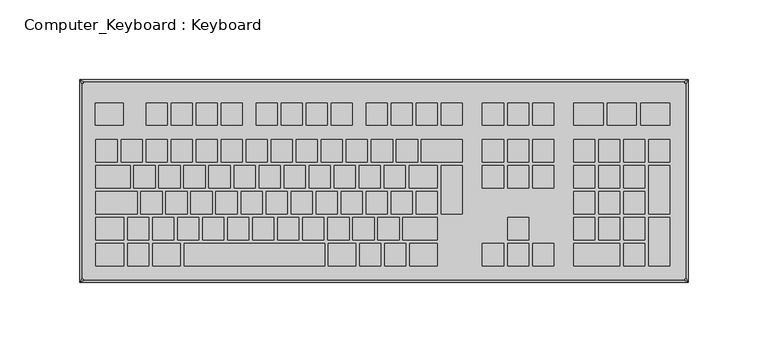
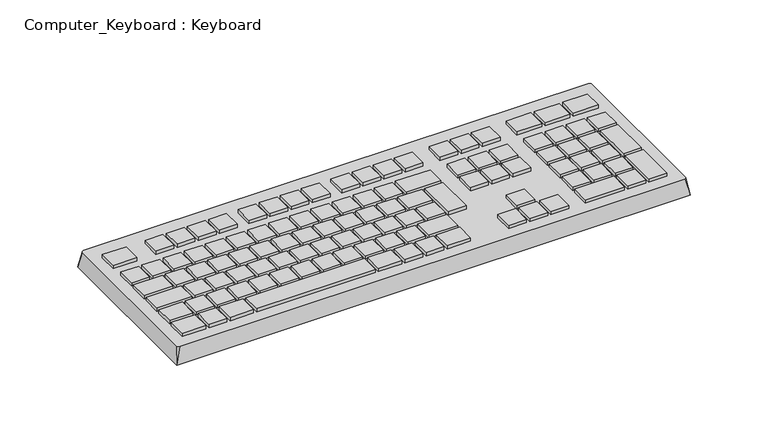
"""IFC4 building model written with IfcOpenShell, lengths in millimetres: electric appliance geometry, Computer_Keyboard : Keyboard."""

from ifc_helpers import new_model, si_unit, frame, origin, place, context, project, spatial, polyline, circle_curve, outline, extrude, source, transform, mapped, element, save
from ifc_brep_helpers import plane_surface, spline_surface, advanced_brep


def computer_keyboard_keyboard_704352c0(model_context):
    return source(origin(), model_context, "Body", "SolidModel", [
        extrude(outline(polyline([(-163.1859798, 48.8576856), (-163.1859798, 34.9824799), (-180.8453325, 34.9824799), (-180.8453325, 48.8576856), (-163.1859798, 48.8576856)])), frame((0.0, 0.0, 12.7), z_axis=(0.0, 0.0, 1.0), x_axis=(1.0, 0.0, 0.0)), (0.0, 0.0, 1.0), 2.5796875),
        extrude(outline(polyline([(-135.7599238, 48.8576856), (-135.7599238, 34.9824799), (-149.0224581, 34.9824799), (-149.0224581, 48.8576856), (-135.7599238, 48.8576856)])), frame((0.0, 0.0, 12.7), z_axis=(0.0, 0.0, 1.0), x_axis=(1.0, 0.0, 0.0)), (0.0, 0.0, 1.0), 2.5796875),
        extrude(outline(polyline([(-120.0827434, 48.8576856), (-120.0827434, 34.9824799), (-133.3452777, 34.9824799), (-133.3452777, 48.8576856), (-120.0827434, 48.8576856)])), frame((0.0, 0.0, 12.7), z_axis=(0.0, 0.0, 1.0), x_axis=(1.0, 0.0, 0.0)), (0.0, 0.0, 1.0), 2.5796875),
        extrude(outline(polyline([(-104.4055629, 48.8576856), (-104.4055629, 34.9824799), (-117.6680972, 34.9824799), (-117.6680972, 48.8576856), (-104.4055629, 48.8576856)])), frame((0.0, 0.0, 12.7), z_axis=(0.0, 0.0, 1.0), x_axis=(1.0, 0.0, 0.0)), (0.0, 0.0, 1.0), 2.5796875),
        extrude(outline(polyline([(-88.7283824, 48.8576856), (-88.7283824, 34.9824799), (-101.9909167, 34.9824799), (-101.9909167, 48.8576856), (-88.7283824, 48.8576856)])), frame((0.0, 0.0, 12.7), z_axis=(0.0, 0.0, 1.0), x_axis=(1.0, 0.0, 0.0)), (0.0, 0.0, 1.0), 2.5796875),
        extrude(outline(polyline([(-66.8457769, 48.8576856), (-66.8457769, 34.9824799), (-80.1083112, 34.9824799), (-80.1083112, 48.8576856), (-66.8457769, 48.8576856)])), frame((0.0, 0.0, 12.7), z_axis=(0.0, 0.0, 1.0), x_axis=(1.0, 0.0, 0.0)), (0.0, 0.0, 1.0), 2.5796875),
        extrude(outline(polyline([(-51.1685964, 48.8576856), (-51.1685964, 34.9824799), (-64.4311307, 34.9824799), (-64.4311307, 48.8576856), (-51.1685964, 48.8576856)])), frame((0.0, 0.0, 12.7), z_axis=(0.0, 0.0, 1.0), x_axis=(1.0, 0.0, 0.0)), (0.0, 0.0, 1.0), 2.5796875),
        extrude(outline(polyline([(-35.4914159, 48.8576856), (-35.4914159, 34.9824799), (-48.7539502, 34.9824799), (-48.7539502, 48.8576856), (-35.4914159, 48.8576856)])), frame((0.0, 0.0, 12.7), z_axis=(0.0, 0.0, 1.0), x_axis=(1.0, 0.0, 0.0)), (0.0, 0.0, 1.0), 2.5796875),
        extrude(outline(polyline([(-19.8142355, 48.8576856), (-19.8142355, 34.9824799), (-33.0767698, 34.9824799), (-33.0767698, 48.8576856), (-19.8142355, 48.8576856)])), frame((0.0, 0.0, 12.7), z_axis=(0.0, 0.0, 1.0), x_axis=(1.0, 0.0, 0.0)), (0.0, 0.0, 1.0), 2.5796875),
        extrude(outline(polyline([(2.06837, 48.8576856), (2.06837, 34.9824799), (-11.1941642, 34.9824799), (-11.1941642, 48.8576856), (2.06837, 48.8576856)])), frame((0.0, 0.0, 12.7), z_axis=(0.0, 0.0, 1.0), x_axis=(1.0, 0.0, 0.0)), (0.0, 0.0, 1.0), 2.5796875),
        extrude(outline(polyline([(17.7455505, 48.8576856), (17.7455505, 34.9824799), (4.4830162, 34.9824799), (4.4830162, 48.8576856), (17.7455505, 48.8576856)])), frame((0.0, 0.0, 12.7), z_axis=(0.0, 0.0, 1.0), x_axis=(1.0, 0.0, 0.0)), (0.0, 0.0, 1.0), 2.5796875),
        extrude(outline(polyline([(33.422731, 48.8576856), (33.422731, 34.9824799), (20.1601967, 34.9824799), (20.1601967, 48.8576856), (33.422731, 48.8576856)])), frame((0.0, 0.0, 12.7), z_axis=(0.0, 0.0, 1.0), x_axis=(1.0, 0.0, 0.0)), (0.0, 0.0, 1.0), 2.5796875),
        extrude(outline(polyline([(49.0999115, 48.8576856), (49.0999115, 34.9824799), (35.8373772, 34.9824799), (35.8373772, 48.8576856), (49.0999115, 48.8576856)])), frame((0.0, 0.0, 12.7), z_axis=(0.0, 0.0, 1.0), x_axis=(1.0, 0.0, 0.0)), (0.0, 0.0, 1.0), 2.5796875),
        extrude(outline(polyline([(74.951267, 48.8576856), (74.951267, 34.9824799), (61.6887327, 34.9824799), (61.6887327, 48.8576856), (74.951267, 48.8576856)])), frame((0.0, 0.0, 12.7), z_axis=(0.0, 0.0, 1.0), x_axis=(1.0, 0.0, 0.0)), (0.0, 0.0, 1.0), 2.5796875),
        extrude(outline(polyline([(90.6284475, 48.8576856), (90.6284475, 34.9824799), (77.3659132, 34.9824799), (77.3659132, 48.8576856), (90.6284475, 48.8576856)])), frame((0.0, 0.0, 12.7), z_axis=(0.0, 0.0, 1.0), x_axis=(1.0, 0.0, 0.0)), (0.0, 0.0, 1.0), 2.5796875),
        extrude(outline(polyline([(106.3056279, 48.8576856), (106.3056279, 34.9824799), (93.0430937, 34.9824799), (93.0430937, 48.8576856), (106.3056279, 48.8576856)])), frame((0.0, 0.0, 12.7), z_axis=(0.0, 0.0, 1.0), x_axis=(1.0, 0.0, 0.0)), (0.0, 0.0, 1.0), 2.5796875),
        extrude(outline(polyline([(137.1667629, 48.8576856), (137.1667629, 34.9824799), (118.7952925, 34.9824799), (118.7952925, 48.8576856), (137.1667629, 48.8576856)])), frame((0.0, 0.0, 12.7), z_axis=(0.0, 0.0, 1.0), x_axis=(1.0, 0.0, 0.0)), (0.0, 0.0, 1.0), 2.5796875),
        extrude(outline(polyline([(139.7565951, 34.9824799), (139.7565951, 48.8576856), (158.1280656, 48.8576856), (158.1280656, 34.9824799), (139.7565951, 34.9824799)])), frame((0.0, 0.0, 12.7), z_axis=(0.0, 0.0, 1.0), x_axis=(1.0, 0.0, 0.0)), (0.0, 0.0, 1.0), 2.5796875),
        extrude(outline(polyline([(160.7178977, 34.9824799), (160.7178977, 48.8576856), (179.0893682, 48.8576856), (179.0893682, 34.9824799), (160.7178977, 34.9824799)])), frame((0.0, 0.0, 12.7), z_axis=(0.0, 0.0, 1.0), x_axis=(1.0, 0.0, 0.0)), (0.0, 0.0, 1.0), 2.5796875),
        extrude(outline(polyline([(74.951267, 25.872589), (74.951267, 11.9973833), (61.6887327, 11.9973833), (61.6887327, 25.872589), (74.951267, 25.872589)])), frame((0.0, 0.0, 12.7), z_axis=(0.0, 0.0, 1.0), x_axis=(1.0, 0.0, 0.0)), (0.0, 0.0, 1.0), 2.5796875),
        extrude(outline(polyline([(90.6284475, 25.872589), (90.6284475, 11.9973833), (77.3659132, 11.9973833), (77.3659132, 25.872589), (90.6284475, 25.872589)])), frame((0.0, 0.0, 12.7), z_axis=(0.0, 0.0, 1.0), x_axis=(1.0, 0.0, 0.0)), (0.0, 0.0, 1.0), 2.5796875),
        extrude(outline(polyline([(106.3056279, 25.872589), (106.3056279, 11.9973833), (93.0430937, 11.9973833), (93.0430937, 25.872589), (106.3056279, 25.872589)])), frame((0.0, 0.0, 12.7), z_axis=(0.0, 0.0, 1.0), x_axis=(1.0, 0.0, 0.0)), (0.0, 0.0, 1.0), 2.5796875),
        extrude(outline(polyline([(61.6887327, 9.5827371), (74.951267, 9.5827371), (74.951267, -4.2924686), (61.6887327, -4.2924686), (61.6887327, 9.5827371)])), frame((0.0, 0.0, 12.7), z_axis=(0.0, 0.0, 1.0), x_axis=(1.0, 0.0, 0.0)), (0.0, 0.0, 1.0), 2.5796875),
        extrude(outline(polyline([(77.3659132, 9.5827371), (90.6284475, 9.5827371), (90.6284475, -4.2924686), (77.3659132, -4.2924686), (77.3659132, 9.5827371)])), frame((0.0, 0.0, 12.7), z_axis=(0.0, 0.0, 1.0), x_axis=(1.0, 0.0, 0.0)), (0.0, 0.0, 1.0), 2.5796875),
        extrude(outline(polyline([(93.0430937, 9.5827371), (106.3056279, 9.5827371), (106.3056279, -4.2924686), (93.0430937, -4.2924686), (93.0430937, 9.5827371)])), frame((0.0, 0.0, 12.7), z_axis=(0.0, 0.0, 1.0), x_axis=(1.0, 0.0, 0.0)), (0.0, 0.0, 1.0), 2.5796875),
        extrude(outline(polyline([(132.0578268, 25.872589), (132.0578268, 11.9973833), (118.7952925, 11.9973833), (118.7952925, 25.872589), (132.0578268, 25.872589)])), frame((0.0, 0.0, 12.7), z_axis=(0.0, 0.0, 1.0), x_axis=(1.0, 0.0, 0.0)), (0.0, 0.0, 1.0), 2.5796875),
        extrude(outline(polyline([(147.7350072, 25.872589), (147.7350072, 11.9973833), (134.472473, 11.9973833), (134.472473, 25.872589), (147.7350072, 25.872589)])), frame((0.0, 0.0, 12.7), z_axis=(0.0, 0.0, 1.0), x_axis=(1.0, 0.0, 0.0)), (0.0, 0.0, 1.0), 2.5796875),
        extrude(outline(polyline([(163.4121877, 25.872589), (163.4121877, 11.9973833), (150.1496534, 11.9973833), (150.1496534, 25.872589), (163.4121877, 25.872589)])), frame((0.0, 0.0, 12.7), z_axis=(0.0, 0.0, 1.0), x_axis=(1.0, 0.0, 0.0)), (0.0, 0.0, 1.0), 2.5796875),
        extrude(outline(polyline([(179.0893682, 25.872589), (179.0893682, 11.9973833), (165.8268339, 11.9973833), (165.8268339, 25.872589), (179.0893682, 25.872589)])), frame((0.0, 0.0, 12.7), z_axis=(0.0, 0.0, 1.0), x_axis=(1.0, 0.0, 0.0)), (0.0, 0.0, 1.0), 2.5796875),
        extrude(outline(polyline([(132.0578268, 9.5827371), (132.0578268, -4.2924686), (118.7952925, -4.2924686), (118.7952925, 9.5827371), (132.0578268, 9.5827371)])), frame((0.0, 0.0, 12.7), z_axis=(0.0, 0.0, 1.0), x_axis=(1.0, 0.0, 0.0)), (0.0, 0.0, 1.0), 2.5796875),
        extrude(outline(polyline([(147.7350072, 9.5827371), (147.7350072, -4.2924686), (134.472473, -4.2924686), (134.472473, 9.5827371), (147.7350072, 9.5827371)])), frame((0.0, 0.0, 12.7), z_axis=(0.0, 0.0, 1.0), x_axis=(1.0, 0.0, 0.0)), (0.0, 0.0, 1.0), 2.5796875),
        extrude(outline(polyline([(163.4121877, 9.5827371), (163.4121877, -4.2924686), (150.1496534, -4.2924686), (150.1496534, 9.5827371), (163.4121877, 9.5827371)])), frame((0.0, 0.0, 12.7), z_axis=(0.0, 0.0, 1.0), x_axis=(1.0, 0.0, 0.0)), (0.0, 0.0, 1.0), 2.5796875),
        extrude(outline(polyline([(179.0893682, 9.5827371), (179.0893682, -20.5823205), (165.8268339, -20.5823205), (165.8268339, 9.5827371), (179.0893682, 9.5827371)])), frame((0.0, 0.0, 12.7), z_axis=(0.0, 0.0, 1.0), x_axis=(1.0, 0.0, 0.0)), (0.0, 0.0, 1.0), 2.5796875),
        extrude(outline(polyline([(132.0578268, -6.7071148), (132.0578268, -20.5823205), (118.7952925, -20.5823205), (118.7952925, -6.7071148), (132.0578268, -6.7071148)])), frame((0.0, 0.0, 12.7), z_axis=(0.0, 0.0, 1.0), x_axis=(1.0, 0.0, 0.0)), (0.0, 0.0, 1.0), 2.5796875),
        extrude(outline(polyline([(147.7350072, -6.7071148), (147.7350072, -20.5823205), (134.472473, -20.5823205), (134.472473, -6.7071148), (147.7350072, -6.7071148)])), frame((0.0, 0.0, 12.7), z_axis=(0.0, 0.0, 1.0), x_axis=(1.0, 0.0, 0.0)), (0.0, 0.0, 1.0), 2.5796875),
        extrude(outline(polyline([(163.4121877, -6.7071148), (163.4121877, -20.5823205), (150.1496534, -20.5823205), (150.1496534, -6.7071148), (163.4121877, -6.7071148)])), frame((0.0, 0.0, 12.7), z_axis=(0.0, 0.0, 1.0), x_axis=(1.0, 0.0, 0.0)), (0.0, 0.0, 1.0), 2.5796875),
        extrude(outline(polyline([(132.0578268, -22.9969667), (132.0578268, -36.8721724), (118.7952925, -36.8721724), (118.7952925, -22.9969667), (132.0578268, -22.9969667)])), frame((0.0, 0.0, 12.7), z_axis=(0.0, 0.0, 1.0), x_axis=(1.0, 0.0, 0.0)), (0.0, 0.0, 1.0), 2.5796875),
        extrude(outline(polyline([(147.7350072, -22.9969667), (147.7350072, -36.8721724), (134.472473, -36.8721724), (134.472473, -22.9969667), (147.7350072, -22.9969667)])), frame((0.0, 0.0, 12.7), z_axis=(0.0, 0.0, 1.0), x_axis=(1.0, 0.0, 0.0)), (0.0, 0.0, 1.0), 2.5796875),
        extrude(outline(polyline([(163.4121877, -22.9969667), (163.4121877, -36.8721724), (150.1496534, -36.8721724), (150.1496534, -22.9969667), (163.4121877, -22.9969667)])), frame((0.0, 0.0, 12.7), z_axis=(0.0, 0.0, 1.0), x_axis=(1.0, 0.0, 0.0)), (0.0, 0.0, 1.0), 2.5796875),
        extrude(outline(polyline([(179.0893682, -22.9969667), (179.0893682, -53.1620243), (165.8268339, -53.1620243), (165.8268339, -22.9969667), (179.0893682, -22.9969667)])), frame((0.0, 0.0, 12.7), z_axis=(0.0, 0.0, 1.0), x_axis=(1.0, 0.0, 0.0)), (0.0, 0.0, 1.0), 2.5796875),
        extrude(outline(polyline([(147.7350072, -39.2868186), (147.7350072, -53.1620243), (118.7952925, -53.1620243), (118.7952925, -39.2868186), (147.7350072, -39.2868186)])), frame((0.0, 0.0, 12.7), z_axis=(0.0, 0.0, 1.0), x_axis=(1.0, 0.0, 0.0)), (0.0, 0.0, 1.0), 2.5796875),
        extrude(outline(polyline([(163.4121877, -39.2868186), (163.4121877, -53.1620243), (150.1496534, -53.1620243), (150.1496534, -39.2868186), (163.4121877, -39.2868186)])), frame((0.0, 0.0, 12.7), z_axis=(0.0, 0.0, 1.0), x_axis=(1.0, 0.0, 0.0)), (0.0, 0.0, 1.0), 2.5796875),
        extrude(outline(polyline([(90.6284475, -22.9969667), (90.6284475, -36.8721724), (77.3659132, -36.8721724), (77.3659132, -22.9969667), (90.6284475, -22.9969667)])), frame((0.0, 0.0, 12.7), z_axis=(0.0, 0.0, 1.0), x_axis=(1.0, 0.0, 0.0)), (0.0, 0.0, 1.0), 2.5796875),
        extrude(outline(polyline([(61.6887327, -39.2868186), (74.951267, -39.2868186), (74.951267, -53.1620243), (61.6887327, -53.1620243), (61.6887327, -39.2868186)])), frame((0.0, 0.0, 12.7), z_axis=(0.0, 0.0, 1.0), x_axis=(1.0, 0.0, 0.0)), (0.0, 0.0, 1.0), 2.5796875),
        extrude(outline(polyline([(77.3659132, -39.2868186), (90.6284475, -39.2868186), (90.6284475, -53.1620243), (77.3659132, -53.1620243), (77.3659132, -39.2868186)])), frame((0.0, 0.0, 12.7), z_axis=(0.0, 0.0, 1.0), x_axis=(1.0, 0.0, 0.0)), (0.0, 0.0, 1.0), 2.5796875),
        extrude(outline(polyline([(93.0430937, -39.2868186), (106.3056279, -39.2868186), (106.3056279, -53.1620243), (93.0430937, -53.1620243), (93.0430937, -39.2868186)])), frame((0.0, 0.0, 12.7), z_axis=(0.0, 0.0, 1.0), x_axis=(1.0, 0.0, 0.0)), (0.0, 0.0, 1.0), 2.5796875),
        extrude(outline(polyline([(-135.7599238, 25.872589), (-135.7599238, 11.9973833), (-149.0224581, 11.9973833), (-149.0224581, 25.872589), (-135.7599238, 25.872589)])), frame((0.0, 0.0, 12.7), z_axis=(0.0, 0.0, 1.0), x_axis=(1.0, 0.0, 0.0)), (0.0, 0.0, 1.0), 2.5796875),
        extrude(outline(polyline([(-120.0827434, 25.872589), (-120.0827434, 11.9973833), (-133.3452777, 11.9973833), (-133.3452777, 25.872589), (-120.0827434, 25.872589)])), frame((0.0, 0.0, 12.7), z_axis=(0.0, 0.0, 1.0), x_axis=(1.0, 0.0, 0.0)), (0.0, 0.0, 1.0), 2.5796875),
        extrude(outline(polyline([(-104.4055629, 25.872589), (-104.4055629, 11.9973833), (-117.6680972, 11.9973833), (-117.6680972, 25.872589), (-104.4055629, 25.872589)])), frame((0.0, 0.0, 12.7), z_axis=(0.0, 0.0, 1.0), x_axis=(1.0, 0.0, 0.0)), (0.0, 0.0, 1.0), 2.5796875),
        extrude(outline(polyline([(-88.7283824, 25.872589), (-88.7283824, 11.9973833), (-101.9909167, 11.9973833), (-101.9909167, 25.872589), (-88.7283824, 25.872589)])), frame((0.0, 0.0, 12.7), z_axis=(0.0, 0.0, 1.0), x_axis=(1.0, 0.0, 0.0)), (0.0, 0.0, 1.0), 2.5796875),
        extrude(outline(polyline([(-167.1142848, 25.872589), (-167.1142848, 11.9973833), (-180.3768191, 11.9973833), (-180.3768191, 25.872589), (-167.1142848, 25.872589)])), frame((0.0, 0.0, 12.7), z_axis=(0.0, 0.0, 1.0), x_axis=(1.0, 0.0, 0.0)), (0.0, 0.0, 1.0), 2.5796875),
        extrude(outline(polyline([(-151.4371043, 25.872589), (-151.4371043, 11.9973833), (-164.6996386, 11.9973833), (-164.6996386, 25.872589), (-151.4371043, 25.872589)])), frame((0.0, 0.0, 12.7), z_axis=(0.0, 0.0, 1.0), x_axis=(1.0, 0.0, 0.0)), (0.0, 0.0, 1.0), 2.5796875),
        extrude(outline(polyline([(-57.3740215, 25.872589), (-57.3740215, 11.9973833), (-70.6365557, 11.9973833), (-70.6365557, 25.872589), (-57.3740215, 25.872589)])), frame((0.0, 0.0, 12.7), z_axis=(0.0, 0.0, 1.0), x_axis=(1.0, 0.0, 0.0)), (0.0, 0.0, 1.0), 2.5796875),
        extrude(outline(polyline([(-41.696841, 25.872589), (-41.696841, 11.9973833), (-54.9593753, 11.9973833), (-54.9593753, 25.872589), (-41.696841, 25.872589)])), frame((0.0, 0.0, 12.7), z_axis=(0.0, 0.0, 1.0), x_axis=(1.0, 0.0, 0.0)), (0.0, 0.0, 1.0), 2.5796875),
        extrude(outline(polyline([(-26.0196605, 25.872589), (-26.0196605, 11.9973833), (-39.2821948, 11.9973833), (-39.2821948, 25.872589), (-26.0196605, 25.872589)])), frame((0.0, 0.0, 12.7), z_axis=(0.0, 0.0, 1.0), x_axis=(1.0, 0.0, 0.0)), (0.0, 0.0, 1.0), 2.5796875),
        extrude(outline(polyline([(-10.34248, 25.872589), (-10.34248, 11.9973833), (-23.6050143, 11.9973833), (-23.6050143, 25.872589), (-10.34248, 25.872589)])), frame((0.0, 0.0, 12.7), z_axis=(0.0, 0.0, 1.0), x_axis=(1.0, 0.0, 0.0)), (0.0, 0.0, 1.0), 2.5796875),
        extrude(outline(polyline([(-73.0512019, 25.872589), (-73.0512019, 11.9973833), (-86.3137362, 11.9973833), (-86.3137362, 25.872589), (-73.0512019, 25.872589)])), frame((0.0, 0.0, 12.7), z_axis=(0.0, 0.0, 1.0), x_axis=(1.0, 0.0, 0.0)), (0.0, 0.0, 1.0), 2.5796875),
        extrude(outline(polyline([(21.0118809, 25.872589), (21.0118809, 11.9973833), (7.7493466, 11.9973833), (7.7493466, 25.872589), (21.0118809, 25.872589)])), frame((0.0, 0.0, 12.7), z_axis=(0.0, 0.0, 1.0), x_axis=(1.0, 0.0, 0.0)), (0.0, 0.0, 1.0), 2.5796875),
        extrude(outline(polyline([(49.0999115, 25.872589), (49.0999115, 11.9973833), (23.4265271, 11.9973833), (23.4265271, 25.872589), (49.0999115, 25.872589)])), frame((0.0, 0.0, 12.7), z_axis=(0.0, 0.0, 1.0), x_axis=(1.0, 0.0, 0.0)), (0.0, 0.0, 1.0), 2.5796875),
        extrude(outline(polyline([(5.3347004, 25.872589), (5.3347004, 11.9973833), (-7.9278338, 11.9973833), (-7.9278338, 25.872589), (5.3347004, 25.872589)])), frame((0.0, 0.0, 12.7), z_axis=(0.0, 0.0, 1.0), x_axis=(1.0, 0.0, 0.0)), (0.0, 0.0, 1.0), 2.5796875),
        extrude(outline(polyline([(-127.706198, 9.5827371), (-127.706198, -4.2924686), (-140.9687323, -4.2924686), (-140.9687323, 9.5827371), (-127.706198, 9.5827371)])), frame((0.0, 0.0, 12.7), z_axis=(0.0, 0.0, 1.0), x_axis=(1.0, 0.0, 0.0)), (0.0, 0.0, 1.0), 2.5796875),
        extrude(outline(polyline([(-112.0290175, 9.5827371), (-112.0290175, -4.2924686), (-125.2915518, -4.2924686), (-125.2915518, 9.5827371), (-112.0290175, 9.5827371)])), frame((0.0, 0.0, 12.7), z_axis=(0.0, 0.0, 1.0), x_axis=(1.0, 0.0, 0.0)), (0.0, 0.0, 1.0), 2.5796875),
        extrude(outline(polyline([(-96.3518371, 9.5827371), (-96.3518371, -4.2924686), (-109.6143713, -4.2924686), (-109.6143713, 9.5827371), (-96.3518371, 9.5827371)])), frame((0.0, 0.0, 12.7), z_axis=(0.0, 0.0, 1.0), x_axis=(1.0, 0.0, 0.0)), (0.0, 0.0, 1.0), 2.5796875),
        extrude(outline(polyline([(-80.6746566, 9.5827371), (-80.6746566, -4.2924686), (-93.9371909, -4.2924686), (-93.9371909, 9.5827371), (-80.6746566, 9.5827371)])), frame((0.0, 0.0, 12.7), z_axis=(0.0, 0.0, 1.0), x_axis=(1.0, 0.0, 0.0)), (0.0, 0.0, 1.0), 2.5796875),
        extrude(outline(polyline([(-159.060559, 9.5827371), (-159.060559, -4.2924686), (-180.3768191, -4.2924686), (-180.3768191, 9.5827371), (-159.060559, 9.5827371)])), frame((0.0, 0.0, 12.7), z_axis=(0.0, 0.0, 1.0), x_axis=(1.0, 0.0, 0.0)), (0.0, 0.0, 1.0), 2.5796875),
        extrude(outline(polyline([(-143.3833785, 9.5827371), (-143.3833785, -4.2924686), (-156.6459128, -4.2924686), (-156.6459128, 9.5827371), (-143.3833785, 9.5827371)])), frame((0.0, 0.0, 12.7), z_axis=(0.0, 0.0, 1.0), x_axis=(1.0, 0.0, 0.0)), (0.0, 0.0, 1.0), 2.5796875),
        extrude(outline(polyline([(-49.3202956, 9.5827371), (-49.3202956, -4.2924686), (-62.5828299, -4.2924686), (-62.5828299, 9.5827371), (-49.3202956, 9.5827371)])), frame((0.0, 0.0, 12.7), z_axis=(0.0, 0.0, 1.0), x_axis=(1.0, 0.0, 0.0)), (0.0, 0.0, 1.0), 2.5796875),
        extrude(outline(polyline([(-33.6431152, 9.5827371), (-33.6431152, -4.2924686), (-46.9056494, -4.2924686), (-46.9056494, 9.5827371), (-33.6431152, 9.5827371)])), frame((0.0, 0.0, 12.7), z_axis=(0.0, 0.0, 1.0), x_axis=(1.0, 0.0, 0.0)), (0.0, 0.0, 1.0), 2.5796875),
        extrude(outline(polyline([(-17.9659347, 9.5827371), (-17.9659347, -4.2924686), (-31.228469, -4.2924686), (-31.228469, 9.5827371), (-17.9659347, 9.5827371)])), frame((0.0, 0.0, 12.7), z_axis=(0.0, 0.0, 1.0), x_axis=(1.0, 0.0, 0.0)), (0.0, 0.0, 1.0), 2.5796875),
        extrude(outline(polyline([(-2.2887542, 9.5827371), (-2.2887542, -4.2924686), (-15.5512885, -4.2924686), (-15.5512885, 9.5827371), (-2.2887542, 9.5827371)])), frame((0.0, 0.0, 12.7), z_axis=(0.0, 0.0, 1.0), x_axis=(1.0, 0.0, 0.0)), (0.0, 0.0, 1.0), 2.5796875),
        extrude(outline(polyline([(-64.9974761, 9.5827371), (-64.9974761, -4.2924686), (-78.2600104, -4.2924686), (-78.2600104, 9.5827371), (-64.9974761, 9.5827371)])), frame((0.0, 0.0, 12.7), z_axis=(0.0, 0.0, 1.0), x_axis=(1.0, 0.0, 0.0)), (0.0, 0.0, 1.0), 2.5796875),
        extrude(outline(polyline([(33.4494691, 9.5827371), (33.4494691, -4.2924686), (15.8030725, -4.2924686), (15.8030725, 9.5827371), (33.4494691, 9.5827371)])), frame((0.0, 0.0, 12.7), z_axis=(0.0, 0.0, 1.0), x_axis=(1.0, 0.0, 0.0)), (0.0, 0.0, 1.0), 2.5796875),
        extrude(outline(polyline([(49.0999115, 9.5827371), (49.0999115, -20.5823205), (35.8641153, -20.5823205), (35.8641153, 9.5827371), (49.0999115, 9.5827371)])), frame((0.0, 0.0, 12.7), z_axis=(0.0, 0.0, 1.0), x_axis=(1.0, 0.0, 0.0)), (0.0, 0.0, 1.0), 2.5796875),
        extrude(outline(polyline([(13.3884263, 9.5827371), (13.3884263, -4.2924686), (0.125892, -4.2924686), (0.125892, 9.5827371), (13.3884263, 9.5827371)])), frame((0.0, 0.0, 12.7), z_axis=(0.0, 0.0, 1.0), x_axis=(1.0, 0.0, 0.0)), (0.0, 0.0, 1.0), 2.5796875),
        extrude(outline(polyline([(-123.3223357, -6.7071148), (-123.3223357, -20.5823205), (-136.58487, -20.5823205), (-136.58487, -6.7071148), (-123.3223357, -6.7071148)])), frame((0.0, 0.0, 12.7), z_axis=(0.0, 0.0, 1.0), x_axis=(1.0, 0.0, 0.0)), (0.0, 0.0, 1.0), 2.5796875),
        extrude(outline(polyline([(-107.6451552, -6.7071148), (-107.6451552, -20.5823205), (-120.9076895, -20.5823205), (-120.9076895, -6.7071148), (-107.6451552, -6.7071148)])), frame((0.0, 0.0, 12.7), z_axis=(0.0, 0.0, 1.0), x_axis=(1.0, 0.0, 0.0)), (0.0, 0.0, 1.0), 2.5796875),
        extrude(outline(polyline([(-91.9679747, -6.7071148), (-91.9679747, -20.5823205), (-105.230509, -20.5823205), (-105.230509, -6.7071148), (-91.9679747, -6.7071148)])), frame((0.0, 0.0, 12.7), z_axis=(0.0, 0.0, 1.0), x_axis=(1.0, 0.0, 0.0)), (0.0, 0.0, 1.0), 2.5796875),
        extrude(outline(polyline([(-76.2907942, -6.7071148), (-76.2907942, -20.5823205), (-89.5533285, -20.5823205), (-89.5533285, -6.7071148), (-76.2907942, -6.7071148)])), frame((0.0, 0.0, 12.7), z_axis=(0.0, 0.0, 1.0), x_axis=(1.0, 0.0, 0.0)), (0.0, 0.0, 1.0), 2.5796875),
        extrude(outline(polyline([(-154.6766966, -6.7071148), (-154.6766966, -20.5823205), (-180.3768191, -20.5823205), (-180.3768191, -6.7071148), (-154.6766966, -6.7071148)])), frame((0.0, 0.0, 12.7), z_axis=(0.0, 0.0, 1.0), x_axis=(1.0, 0.0, 0.0)), (0.0, 0.0, 1.0), 2.5796875),
        extrude(outline(polyline([(-138.9995161, -6.7071148), (-138.9995161, -20.5823205), (-152.2620504, -20.5823205), (-152.2620504, -6.7071148), (-138.9995161, -6.7071148)])), frame((0.0, 0.0, 12.7), z_axis=(0.0, 0.0, 1.0), x_axis=(1.0, 0.0, 0.0)), (0.0, 0.0, 1.0), 2.5796875),
        extrude(outline(polyline([(-44.9364333, -6.7071148), (-44.9364333, -20.5823205), (-58.1989676, -20.5823205), (-58.1989676, -6.7071148), (-44.9364333, -6.7071148)])), frame((0.0, 0.0, 12.7), z_axis=(0.0, 0.0, 1.0), x_axis=(1.0, 0.0, 0.0)), (0.0, 0.0, 1.0), 2.5796875),
        extrude(outline(polyline([(-29.2592528, -6.7071148), (-29.2592528, -20.5823205), (-42.5217871, -20.5823205), (-42.5217871, -6.7071148), (-29.2592528, -6.7071148)])), frame((0.0, 0.0, 12.7), z_axis=(0.0, 0.0, 1.0), x_axis=(1.0, 0.0, 0.0)), (0.0, 0.0, 1.0), 2.5796875),
        extrude(outline(polyline([(-13.5820723, -6.7071148), (-13.5820723, -20.5823205), (-26.8446066, -20.5823205), (-26.8446066, -6.7071148), (-13.5820723, -6.7071148)])), frame((0.0, 0.0, 12.7), z_axis=(0.0, 0.0, 1.0), x_axis=(1.0, 0.0, 0.0)), (0.0, 0.0, 1.0), 2.5796875),
        extrude(outline(polyline([(2.0951081, -6.7071148), (2.0951081, -20.5823205), (-11.1674261, -20.5823205), (-11.1674261, -6.7071148), (2.0951081, -6.7071148)])), frame((0.0, 0.0, 12.7), z_axis=(0.0, 0.0, 1.0), x_axis=(1.0, 0.0, 0.0)), (0.0, 0.0, 1.0), 2.5796875),
        extrude(outline(polyline([(-60.6136138, -6.7071148), (-60.6136138, -20.5823205), (-73.876148, -20.5823205), (-73.876148, -6.7071148), (-60.6136138, -6.7071148)])), frame((0.0, 0.0, 12.7), z_axis=(0.0, 0.0, 1.0), x_axis=(1.0, 0.0, 0.0)), (0.0, 0.0, 1.0), 2.5796875),
        extrude(outline(polyline([(33.4494691, -6.7071148), (33.4494691, -20.5823205), (20.1869348, -20.5823205), (20.1869348, -6.7071148), (33.4494691, -6.7071148)])), frame((0.0, 0.0, 12.7), z_axis=(0.0, 0.0, 1.0), x_axis=(1.0, 0.0, 0.0)), (0.0, 0.0, 1.0), 2.5796875),
        extrude(outline(polyline([(17.7722886, -6.7071148), (17.7722886, -20.5823205), (4.5097543, -20.5823205), (4.5097543, -6.7071148), (17.7722886, -6.7071148)])), frame((0.0, 0.0, 12.7), z_axis=(0.0, 0.0, 1.0), x_axis=(1.0, 0.0, 0.0)), (0.0, 0.0, 1.0), 2.5796875),
        extrude(outline(polyline([(-131.6593899, -22.9969667), (-131.6593899, -36.8721724), (-144.9219241, -36.8721724), (-144.9219241, -22.9969667), (-131.6593899, -22.9969667)])), frame((0.0, 0.0, 12.7), z_axis=(0.0, 0.0, 1.0), x_axis=(1.0, 0.0, 0.0)), (0.0, 0.0, 1.0), 2.5796875),
        extrude(outline(polyline([(-115.9822094, -22.9969667), (-115.9822094, -36.8721724), (-129.2447437, -36.8721724), (-129.2447437, -22.9969667), (-115.9822094, -22.9969667)])), frame((0.0, 0.0, 12.7), z_axis=(0.0, 0.0, 1.0), x_axis=(1.0, 0.0, 0.0)), (0.0, 0.0, 1.0), 2.5796875),
        extrude(outline(polyline([(-100.3050289, -22.9969667), (-100.3050289, -36.8721724), (-113.5675632, -36.8721724), (-113.5675632, -22.9969667), (-100.3050289, -22.9969667)])), frame((0.0, 0.0, 12.7), z_axis=(0.0, 0.0, 1.0), x_axis=(1.0, 0.0, 0.0)), (0.0, 0.0, 1.0), 2.5796875),
        extrude(outline(polyline([(-84.6278484, -22.9969667), (-84.6278484, -36.8721724), (-97.8903827, -36.8721724), (-97.8903827, -22.9969667), (-84.6278484, -22.9969667)])), frame((0.0, 0.0, 12.7), z_axis=(0.0, 0.0, 1.0), x_axis=(1.0, 0.0, 0.0)), (0.0, 0.0, 1.0), 2.5796875),
        extrude(outline(polyline([(-163.0137508, -22.9969667), (-163.0137508, -36.8721724), (-180.3768191, -36.8721724), (-180.3768191, -22.9969667), (-163.0137508, -22.9969667)])), frame((0.0, 0.0, 12.7), z_axis=(0.0, 0.0, 1.0), x_axis=(1.0, 0.0, 0.0)), (0.0, 0.0, 1.0), 2.5796875),
        extrude(outline(polyline([(-147.3365703, -22.9969667), (-147.3365703, -36.8721724), (-160.5991046, -36.8721724), (-160.5991046, -22.9969667), (-147.3365703, -22.9969667)])), frame((0.0, 0.0, 12.7), z_axis=(0.0, 0.0, 1.0), x_axis=(1.0, 0.0, 0.0)), (0.0, 0.0, 1.0), 2.5796875),
        extrude(outline(polyline([(-53.2734875, -22.9969667), (-53.2734875, -36.8721724), (-66.5360218, -36.8721724), (-66.5360218, -22.9969667), (-53.2734875, -22.9969667)])), frame((0.0, 0.0, 12.7), z_axis=(0.0, 0.0, 1.0), x_axis=(1.0, 0.0, 0.0)), (0.0, 0.0, 1.0), 2.5796875),
        extrude(outline(polyline([(-37.596307, -22.9969667), (-37.596307, -36.8721724), (-50.8588413, -36.8721724), (-50.8588413, -22.9969667), (-37.596307, -22.9969667)])), frame((0.0, 0.0, 12.7), z_axis=(0.0, 0.0, 1.0), x_axis=(1.0, 0.0, 0.0)), (0.0, 0.0, 1.0), 2.5796875),
        extrude(outline(polyline([(-21.9191265, -22.9969667), (-21.9191265, -36.8721724), (-35.1816608, -36.8721724), (-35.1816608, -22.9969667), (-21.9191265, -22.9969667)])), frame((0.0, 0.0, 12.7), z_axis=(0.0, 0.0, 1.0), x_axis=(1.0, 0.0, 0.0)), (0.0, 0.0, 1.0), 2.5796875),
        extrude(outline(polyline([(-6.241946, -22.9969667), (-6.241946, -36.8721724), (-19.5044803, -36.8721724), (-19.5044803, -22.9969667), (-6.241946, -22.9969667)])), frame((0.0, 0.0, 12.7), z_axis=(0.0, 0.0, 1.0), x_axis=(1.0, 0.0, 0.0)), (0.0, 0.0, 1.0), 2.5796875),
        extrude(outline(polyline([(-68.9506679, -22.9969667), (-68.9506679, -36.8721724), (-82.2132022, -36.8721724), (-82.2132022, -22.9969667), (-68.9506679, -22.9969667)])), frame((0.0, 0.0, 12.7), z_axis=(0.0, 0.0, 1.0), x_axis=(1.0, 0.0, 0.0)), (0.0, 0.0, 1.0), 2.5796875),
        extrude(outline(polyline([(33.4494691, -22.9969667), (33.4494691, -36.8721724), (11.8498806, -36.8721724), (11.8498806, -22.9969667), (33.4494691, -22.9969667)])), frame((0.0, 0.0, 12.7), z_axis=(0.0, 0.0, 1.0), x_axis=(1.0, 0.0, 0.0)), (0.0, 0.0, 1.0), 2.5796875),
        extrude(outline(polyline([(9.4352344, -22.9969667), (9.4352344, -36.8721724), (-3.8272999, -36.8721724), (-3.8272999, -22.9969667), (9.4352344, -22.9969667)])), frame((0.0, 0.0, 12.7), z_axis=(0.0, 0.0, 1.0), x_axis=(1.0, 0.0, 0.0)), (0.0, 0.0, 1.0), 2.5796875),
        extrude(outline(polyline([(-127.5330879, -39.2868186), (-127.5330879, -53.1620243), (-144.9219241, -53.1620243), (-144.9219241, -39.2868186), (-127.5330879, -39.2868186)])), frame((0.0, 0.0, 12.7), z_axis=(0.0, 0.0, 1.0), x_axis=(1.0, 0.0, 0.0)), (0.0, 0.0, 1.0), 2.5796875),
        extrude(outline(polyline([(-37.199432, -39.2868186), (-37.199432, -53.1620243), (-125.1184417, -53.1620243), (-125.1184417, -39.2868186), (-37.199432, -39.2868186)])), frame((0.0, 0.0, 12.7), z_axis=(0.0, 0.0, 1.0), x_axis=(1.0, 0.0, 0.0)), (0.0, 0.0, 1.0), 2.5796875),
        extrude(outline(polyline([(-163.0137508, -39.2868186), (-163.0137508, -53.1620243), (-180.3768191, -53.1620243), (-180.3768191, -39.2868186), (-163.0137508, -39.2868186)])), frame((0.0, 0.0, 12.7), z_axis=(0.0, 0.0, 1.0), x_axis=(1.0, 0.0, 0.0)), (0.0, 0.0, 1.0), 2.5796875),
        extrude(outline(polyline([(-147.3365703, -39.2868186), (-147.3365703, -53.1620243), (-160.5991046, -53.1620243), (-160.5991046, -39.2868186), (-147.3365703, -39.2868186)])), frame((0.0, 0.0, 12.7), z_axis=(0.0, 0.0, 1.0), x_axis=(1.0, 0.0, 0.0)), (0.0, 0.0, 1.0), 2.5796875),
        extrude(outline(polyline([(-17.5943871, -39.2868186), (-17.5943871, -53.1620243), (-34.7847858, -53.1620243), (-34.7847858, -39.2868186), (-17.5943871, -39.2868186)])), frame((0.0, 0.0, 12.7), z_axis=(0.0, 0.0, 1.0), x_axis=(1.0, 0.0, 0.0)), (0.0, 0.0, 1.0), 2.5796875),
        extrude(outline(polyline([(-1.9172066, -39.2868186), (-1.9172066, -53.1620243), (-15.1797409, -53.1620243), (-15.1797409, -39.2868186), (-1.9172066, -39.2868186)])), frame((0.0, 0.0, 12.7), z_axis=(0.0, 0.0, 1.0), x_axis=(1.0, 0.0, 0.0)), (0.0, 0.0, 1.0), 2.5796875),
        extrude(outline(polyline([(33.4494691, -39.2868186), (33.4494691, -53.1620243), (16.1746201, -53.1620243), (16.1746201, -39.2868186), (33.4494691, -39.2868186)])), frame((0.0, 0.0, 12.7), z_axis=(0.0, 0.0, 1.0), x_axis=(1.0, 0.0, 0.0)), (0.0, 0.0, 1.0), 2.5796875),
        extrude(outline(polyline([(13.7599739, -39.2868186), (13.7599739, -53.1620243), (0.4974396, -53.1620243), (0.4974396, -39.2868186), (13.7599739, -39.2868186)])), frame((0.0, 0.0, 12.7), z_axis=(0.0, 0.0, 1.0), x_axis=(1.0, 0.0, 0.0)), (0.0, 0.0, 1.0), 2.5796875),
        advanced_brep(
        [(188.9125, 60.325, 12.7), (187.325, 61.9125, 12.7), (-187.325, 61.9125, 12.7), (-188.9125, 60.325, 12.7), (-188.9125, -60.325, 12.7), (-187.325, -61.9125, 12.7), (187.325, -61.9125, 12.7), (188.9125, -60.325, 12.7), (190.5, 63.5, 0.0), (190.5, -63.5, 0.0), (-190.5, -63.5, 0.0), (-190.5, 63.5, 0.0)],
        [
            (0, 1, circle_curve(frame((187.325, 60.325, 12.7), z_axis=(0.0, 0.0, 1.0), x_axis=(1.0, 0.0, 0.0)), 1.5875)),
            (1, 2),
            (2, 3, circle_curve(frame((-187.325, 60.325, 12.7), z_axis=(0.0, 0.0, 1.0), x_axis=(1.0, 0.0, 0.0)), 1.5875)),
            (3, 4),
            (4, 5, circle_curve(frame((-187.325, -60.325, 12.7), z_axis=(0.0, 0.0, 1.0), x_axis=(1.0, 0.0, 0.0)), 1.5875)),
            (5, 6),
            (6, 7, circle_curve(frame((187.325, -60.325, 12.7), z_axis=(0.0, 0.0, 1.0), x_axis=(1.0, 0.0, 0.0)), 1.5875)),
            (7, 0),
            (8, 9),
            (9, 10),
            (10, 11),
            (11, 8),
            (0, 8),
            (8, 1),
            (11, 2),
            (11, 3),
            (10, 4),
            (10, 5),
            (9, 6),
            (9, 7),
        ],
        [
            plane_surface(frame((0.0, 0.0, 12.7), z_axis=(0.0, 0.0, 1.0), x_axis=(-1.0, 0.0, 0.0))),
            plane_surface(frame((0.0, 0.0, 0.0), z_axis=(0.0, 0.0, -1.0), x_axis=(-1.0, 0.0, 0.0))),
            spline_surface(2, 1, [[(190.5, 63.5, 0.0), (188.9125, 60.325, 12.7)], [(190.5, 63.5, 0.0), (188.9125, 61.91250000000001, 12.7)], [(190.5, 63.5, 0.0), (187.325, 61.9125, 12.7)]], [3, 3], [2, 2], [0.0, 1.0], [0.0, 1.0], weights=[[1.0, 1.0], [0.7071067811865459, 0.7071067811865459], [1.0, 1.0]]),
            plane_surface(frame((0.0, 63.5, 0.0), z_axis=(0.0, 0.9922778767136676, 0.12403473458920869), x_axis=(-1.0, 0.0, 0.0))),
            spline_surface(2, 1, [[(-190.5, 63.5, 0.0), (-187.325, 61.9125, 12.7)], [(-190.5, 63.5, 0.0), (-188.9125, 61.912499999999994, 12.7)], [(-190.5, 63.5, 0.0), (-188.9125, 60.325, 12.7)]], [3, 3], [2, 2], [0.0, 1.0], [0.0, 1.0], weights=[[1.0, 1.0], [0.7071067811865491, 0.7071067811865491], [1.0, 1.0]]),
            plane_surface(frame((-190.5, 0.0, 0.0), z_axis=(-0.9922778767136676, 0.0, 0.12403473458920934), x_axis=(0.0, -1.0, 0.0))),
            spline_surface(2, 1, [[(-190.5, -63.5, 0.0), (-188.9125, -60.325, 12.7)], [(-190.5, -63.5, 0.0), (-188.9125, -61.91250000000001, 12.7)], [(-190.5, -63.5, 0.0), (-187.325, -61.9125, 12.7)]], [3, 3], [2, 2], [0.0, 1.0], [0.0, 1.0], weights=[[1.0, 1.0], [0.7071067811865459, 0.7071067811865459], [1.0, 1.0]]),
            plane_surface(frame((0.0, -63.5, 0.0), z_axis=(0.0, -0.9922778767136676, 0.12403473458920934), x_axis=(1.0, 0.0, 0.0))),
            spline_surface(2, 1, [[(190.5, -63.5, 0.0), (187.325, -61.9125, 12.7)], [(190.5, -63.5, 0.0), (188.9125, -61.912499999999994, 12.7)], [(190.5, -63.5, 0.0), (188.9125, -60.325, 12.7)]], [3, 3], [2, 2], [0.0, 1.0], [0.0, 1.0], weights=[[1.0, 1.0], [0.7071067811865491, 0.7071067811865491], [1.0, 1.0]]),
            plane_surface(frame((190.5, 0.0, 0.0), z_axis=(0.9922778767136673, 0.0, 0.12403473458921194), x_axis=(0.0, 1.0, 0.0))),
        ],
        [
            (0, [[1, 2, 3, 4, 5, 6, 7, 8]]),
            (1, [[9, 10, 11, 12]]),
            (2, [[-1, 13, 14]]),
            (3, [[-12, 15, -2, -14]]),
            (4, [[-3, -15, 16]]),
            (5, [[-11, 17, -4, -16]]),
            (6, [[-5, -17, 18]]),
            (7, [[-10, 19, -6, -18]]),
            (8, [[-7, -19, 20]]),
            (9, [[-9, -13, -8, -20]]),
        ],
    ),
    ])


if __name__ == "__main__":
    model = new_model("IFC4")
    model_context = context("Model", 3, world=origin())
    ifc_project = project(units=[si_unit("LENGTHUNIT", "METRE", prefix="MILLI")], contexts=[model_context])
    site = spatial("IfcSite", under=ifc_project)
    building = spatial("IfcBuilding", under=site)
    placement = place(None, origin())
    computer_keyboard_keyboard_shape = computer_keyboard_keyboard_704352c0(model_context)
    element("IfcElectricAppliance", 1, ObjectType="Computer_Keyboard : Keyboard", at=placement, inside=building, context=model_context, shape_type="MappedRepresentation", body=[
        mapped(computer_keyboard_keyboard_shape, transform((0.0, 0.0, 0.0), x_axis=(1.0, 0.0, 0.0), y_axis=(0.0, 1.0, 0.0), z_axis=(0.0, 0.0, 1.0))),
    ])
    save(model, "model.ifc")
